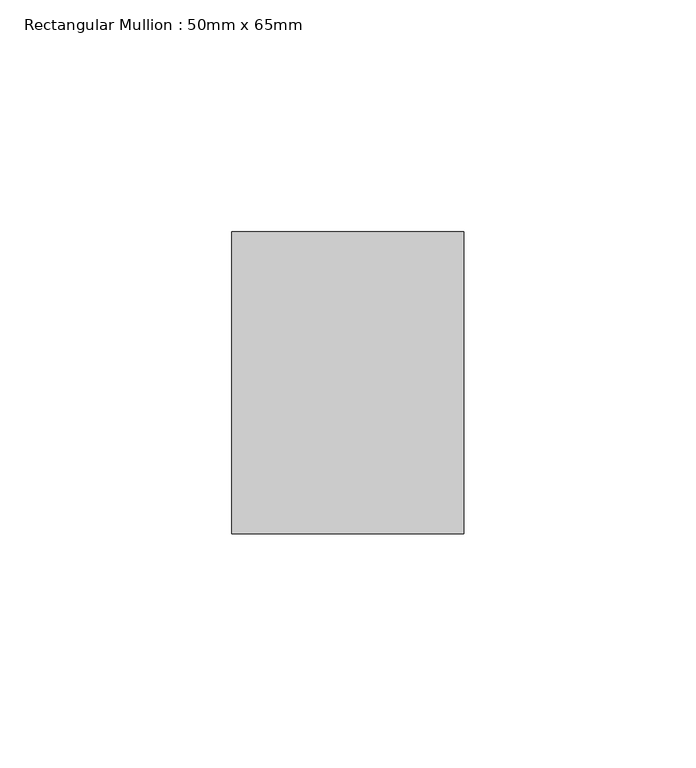
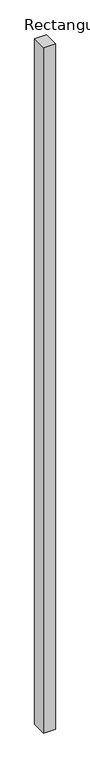
"""IFC4 building model written with IfcOpenShell, lengths in millimetres: member geometry, Rectangular Mullion : 50mm x 65mm."""

from ifc_helpers import new_model, si_unit, frame, origin, place, context, project, spatial, polyline, outline, extrude, source, transform, mapped, element, save


def rectangular_mullion_50mm_x_65mm_935c900d(model_context):
    return source(origin(), model_context, "Body", "SweptSolid", [
        extrude(outline(polyline([(25.0, 32.5), (25.0, -32.5), (-25.0, -32.5), (-25.0, 32.5), (25.0, 32.5)])), frame((0.0, 0.0, -3078.7113063), z_axis=(0.0, 0.0, 1.0), x_axis=(1.0, 0.0, 0.0)), (0.0, 0.0, 1.0), 3078.7113063),
    ])


if __name__ == "__main__":
    model = new_model("IFC4")
    model_context = context("Model", 3, world=origin())
    ifc_project = project(units=[si_unit("LENGTHUNIT", "METRE", prefix="MILLI")], contexts=[model_context])
    site = spatial("IfcSite", under=ifc_project)
    building = spatial("IfcBuilding", under=site)
    placement = place(None, origin())
    rectangular_mullion_50mm_x_65mm_shape = rectangular_mullion_50mm_x_65mm_935c900d(model_context)
    element("IfcMember", 1, ObjectType="Rectangular Mullion : 50mm x 65mm", at=placement, inside=building, context=model_context, shape_type="MappedRepresentation", body=[
        mapped(rectangular_mullion_50mm_x_65mm_shape, transform((0.0, 0.0, 0.0), x_axis=(1.0, 0.0, 0.0), y_axis=(0.0, 1.0, 0.0), z_axis=(0.0, 0.0, 1.0))),
    ])
    save(model, "model.ifc")
